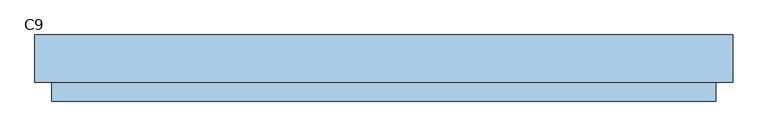
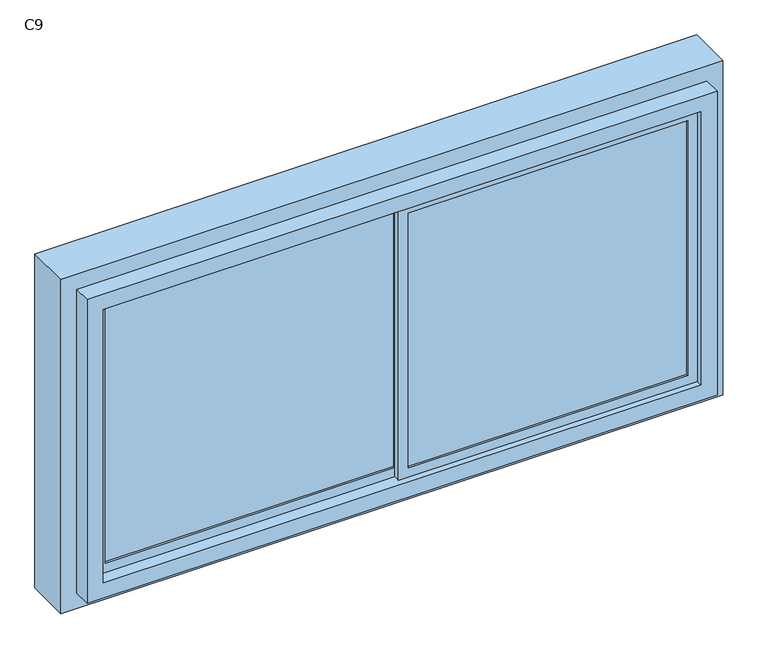
"""IFC4 building model written with IfcOpenShell, lengths in millimetres: window geometry, C9."""

from ifc_helpers import new_model, si_unit, frame, origin, place, context, project, spatial, polyline, outline, extrude, source, transform, mapped, element, save


def c9_3fcba7fd(model_context):
    return source(origin(), model_context, "Body", "SweptSolid", [
        extrude(outline(polyline([(0.0, 13.0), (0.0, 7.0), (-900.0, 7.0), (-900.0, 13.0), (0.0, 13.0)])), frame((0.0, 0.0, 880.0), z_axis=(0.0, 0.0, 1.0), x_axis=(1.0, 0.0, 0.0)), (0.0, 0.0, 1.0), 840.0),
        extrude(outline(polyline([(900.0, -7.0), (900.0, -13.0), (30.0, -13.0), (30.0, -7.0), (900.0, -7.0)])), frame((0.0, 0.0, 880.0), z_axis=(0.0, 0.0, 1.0), x_axis=(1.0, 0.0, 0.0)), (0.0, 0.0, 1.0), 840.0),
        extrude(outline(polyline([(1750.0, 0.0), (850.0, 0.0), (850.0, 930.0), (1750.0, 930.0), (1750.0, 0.0)]), holes=[polyline([(1720.0, 900.0), (880.0, 900.0), (880.0, 30.0), (1720.0, 30.0), (1720.0, 900.0)])]), frame((0.0, -20.0, 0.0), z_axis=(0.0, 1.0, 0.0), x_axis=(0.0, 0.0, 1.0)), (0.0, 0.0, 1.0), 20.0),
        extrude(outline(polyline([(1750.0, -930.0), (850.0, -930.0), (850.0, 30.0), (1750.0, 30.0), (1750.0, -930.0)]), holes=[polyline([(1720.0, 0.0), (880.0, 0.0), (880.0, -900.0), (1720.0, -900.0), (1720.0, 0.0)])]), frame((0.0, 0.0, 0.0), z_axis=(0.0, 1.0, 0.0), x_axis=(0.0, 0.0, 1.0)), (0.0, 0.0, 1.0), 20.0),
        extrude(outline(polyline([(1800.0, -980.0), (800.0, -980.0), (800.0, 980.0), (1800.0, 980.0), (1800.0, -980.0)]), holes=[polyline([(1750.0, 930.0), (850.0, 930.0), (850.0, -930.0), (1750.0, -930.0), (1750.0, 930.0)])]), frame((0.0, -40.0, 0.0), z_axis=(0.0, 1.0, 0.0), x_axis=(0.0, 0.0, 1.0)), (0.0, 0.0, 1.0), 55.0),
        extrude(outline(polyline([(1850.0, -1030.0), (750.0, -1030.0), (750.0, 1030.0), (1850.0, 1030.0), (1850.0, -1030.0)]), holes=[polyline([(1800.0, 980.0), (800.0, 980.0), (800.0, -980.0), (1800.0, -980.0), (1800.0, 980.0)])]), frame((0.0, 15.0, 0.0), z_axis=(0.0, 1.0, 0.0), x_axis=(0.0, 0.0, 1.0)), (0.0, 0.0, 1.0), 140.0),
    ])


if __name__ == "__main__":
    model = new_model("IFC4")
    model_context = context("Model", 3, world=origin())
    ifc_project = project(units=[si_unit("LENGTHUNIT", "METRE", prefix="MILLI")], contexts=[model_context])
    site = spatial("IfcSite", under=ifc_project)
    building = spatial("IfcBuilding", under=site)
    placement = place(None, origin())
    c9_shape = c9_3fcba7fd(model_context)
    element("IfcWindow", 1, ObjectType="C9", at=placement, inside=building, context=model_context, shape_type="MappedRepresentation", body=[
        mapped(c9_shape, transform((0.0, 0.0, 0.0), x_axis=(1.0, 0.0, 0.0), y_axis=(0.0, 1.0, 0.0), z_axis=(0.0, 0.0, 1.0))),
    ])
    save(model, "model.ifc")
